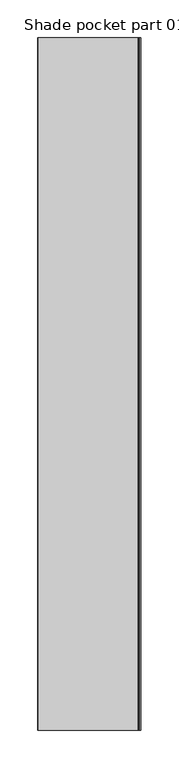
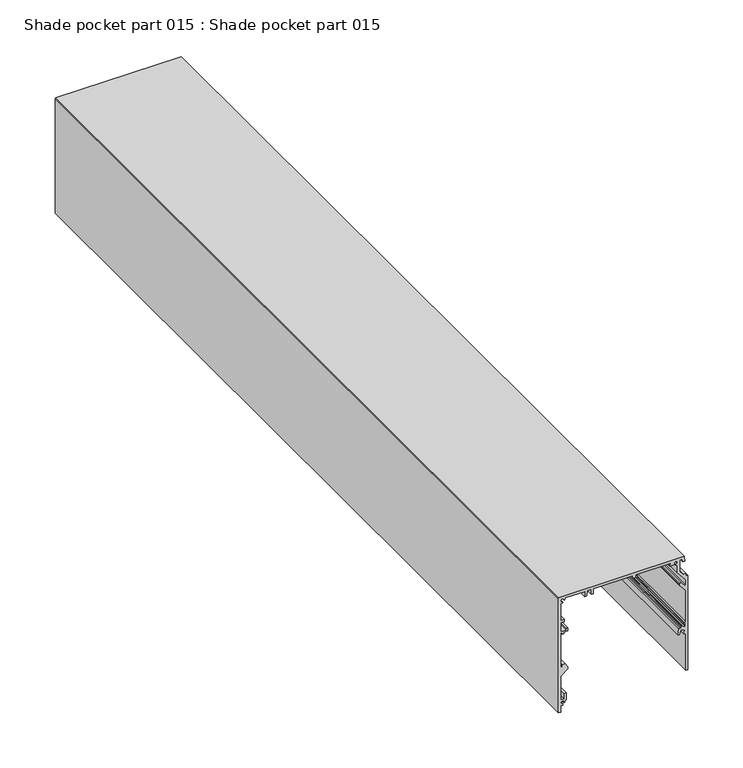
"""IFC4 building model written with IfcOpenShell, lengths in millimetres: proxy geometry, Shade pocket part 015 : Shade pocket part 015."""

from ifc_helpers import new_model, si_unit, frame, origin, place, context, project, spatial, polyline, outline, extrude, source, transform, mapped, element, save


def shade_pocket_part_015_shade_pocket_part_015_ad0556a0(model_context):
    return source(origin(), model_context, "Body", "SweptSolid", [
        extrude(outline(polyline([(3081.0738332, 37532.9066342), (3081.1356883, 37535.1114109), (3086.5297672, 37534.6798844), (3086.9955123, 37402.8888417), (3086.1842426, 37402.077572), (2959.2258057, 37402.077572), (2959.2258057, 37404.6223025), (2966.1462577, 37404.9653336), (2966.4555758, 37406.6953118), (2967.847507, 37406.6953118), (2968.2672958, 37405.1487216), (2970.1894868, 37404.8835918), (2971.1616291, 37406.4080879), (2970.5208989, 37407.7337367), (2968.6649905, 37408.087243), (2968.6649905, 37409.2140447), (2971.0953468, 37409.7663981), (2971.0953468, 37410.7385407), (2978.5654231, 37410.7385407), (2978.5654231, 37408.3706587), (2972.9590335, 37408.3706587), (2972.9590335, 37404.7527422), (2999.0826922, 37404.7527422), (3004.6453361, 37412.3164004), (3006.6681156, 37412.3164004), (3011.1350872, 37409.3665135), (3011.1350872, 37406.2480618), (3009.1123076, 37406.2480618), (3009.1123076, 37404.8152595), (3046.7022949, 37404.8152595), (3046.7022949, 37406.3606902), (3044.9779156, 37406.3606902), (3044.9779156, 37407.8796628), (3046.6902121, 37407.8796628), (3046.6902121, 37412.1880214), (3050.3081287, 37412.1880214), (3050.3081287, 37410.7795196), (3048.181567, 37410.7795196), (3048.181567, 37404.8152595), (3058.1699176, 37404.8152595), (3058.1699176, 37408.7285828), (3060.6278916, 37408.7285828), (3060.6278916, 37404.8152595), (3079.4334845, 37404.8152595), (3079.7064423, 37406.8238602), (3080.6785846, 37406.8238602), (3081.1027923, 37405.3391334), (3082.7819474, 37404.7204974), (3084.0368951, 37405.5689128), (3084.0368951, 37407.142016), (3083.1354539, 37408.0434572), (3082.1809867, 37408.2732363), (3082.1809867, 37409.263054), (3084.1606223, 37409.6519109), (3084.1606223, 37429.8030418), (3078.7243962, 37429.8030418), (3078.7243962, 37432.1781628), (3084.2203154, 37432.4543396), (3084.2203154, 37436.8455513), (3078.7243962, 37436.8455513), (3078.7243962, 37438.9997306), (3084.2203154, 37438.9997306), (3084.2203154, 37480.5633942), (3081.0152413, 37480.5633942), (3081.0152413, 37485.0857898), (3082.7068244, 37485.0857898), (3082.7068244, 37483.2906405), (3084.1567529, 37483.2906405), (3084.1567529, 37520.4295479), (3082.4973993, 37520.4295479), (3082.4973993, 37519.0486637), (3081.0474708, 37519.0486637), (3081.0474708, 37523.7091477), (3081.975425, 37523.896948), (3083.035944, 37523.896948), (3083.7319097, 37524.5929137), (3084.1627456, 37525.9296094), (3083.1132737, 37526.9790814), (3081.7323894, 37526.9790814), (3080.9590943, 37525.7086682), (3079.9648578, 37525.7086682), (3079.3020334, 37527.0343168), (3070.8250386, 37527.0343168), (3060.2267525, 37536.0053957), (3054.7032158, 37536.0053957), (3053.7193357, 37535.0215157), (3058.4661253, 37531.0342125), (3058.4661253, 37529.860461), (3057.5512895, 37528.9456251), (3056.3602769, 37528.9456251), (3048.2821043, 37536.0399176), (3013.9135689, 37536.0399176), (3012.9765872, 37535.1029359), (3012.9765872, 37533.8897772), (3011.5241344, 37533.9306987), (3011.5241344, 37535.2430436), (3010.5442115, 37535.5744559), (3008.831915, 37535.2982789), (3008.583356, 37533.8345417), (3009.6742544, 37532.7436433), (3010.8272927, 37531.70798), (3010.1886339, 37531.0693211), (3008.8042973, 37531.0693211), (3008.1431991, 37530.4082229), (3008.1431991, 37528.7252702), (3002.3417593, 37527.344386), (3001.7341702, 37529.2500063), (3006.0701466, 37530.7137435), (3004.7721156, 37534.9944845), (3000.9884928, 37534.0278657), (3000.3256683, 37535.988721), (2959.5274954, 37535.988721), (2959.5274954, 37538.2207994), (3064.3835821, 37538.2207994), (3064.3835821, 37535.7771474), (3067.2963848, 37535.7771474), (3067.2963848, 37533.5116343), (3071.7734703, 37529.6818383), (3084.2498668, 37529.6818383), (3084.2498668, 37532.5752221), (3081.0738332, 37532.9066342)])), frame((0.0, -19576.8262348, 0.0), z_axis=(0.0, 1.0, 0.0), x_axis=(0.0, 0.0, 1.0)), (0.0, 0.0, 1.0), 914.4),
    ])


if __name__ == "__main__":
    model = new_model("IFC4")
    model_context = context("Model", 3, world=origin())
    ifc_project = project(units=[si_unit("LENGTHUNIT", "METRE", prefix="MILLI")], contexts=[model_context])
    site = spatial("IfcSite", under=ifc_project)
    building = spatial("IfcBuilding", under=site)
    placement = place(None, origin())
    shade_pocket_part_015_shade_pocket_part_015_shape = shade_pocket_part_015_shade_pocket_part_015_ad0556a0(model_context)
    element("IfcBuildingElementProxy", 1, Name="Shade pocket part 015 : Shade pocket part 015", ObjectType="Shade pocket part 015 : Shade pocket part 015", at=placement, inside=building, context=model_context, shape_type="MappedRepresentation", body=[
        mapped(shade_pocket_part_015_shade_pocket_part_015_shape, transform((0.0, 0.0, 0.0), x_axis=(1.0, 0.0, 0.0), y_axis=(0.0, 1.0, 0.0), z_axis=(0.0, 0.0, 1.0))),
    ])
    save(model, "model.ifc")
